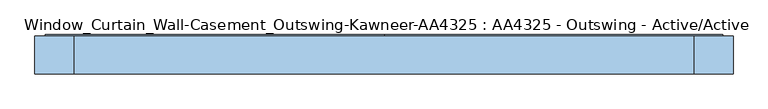
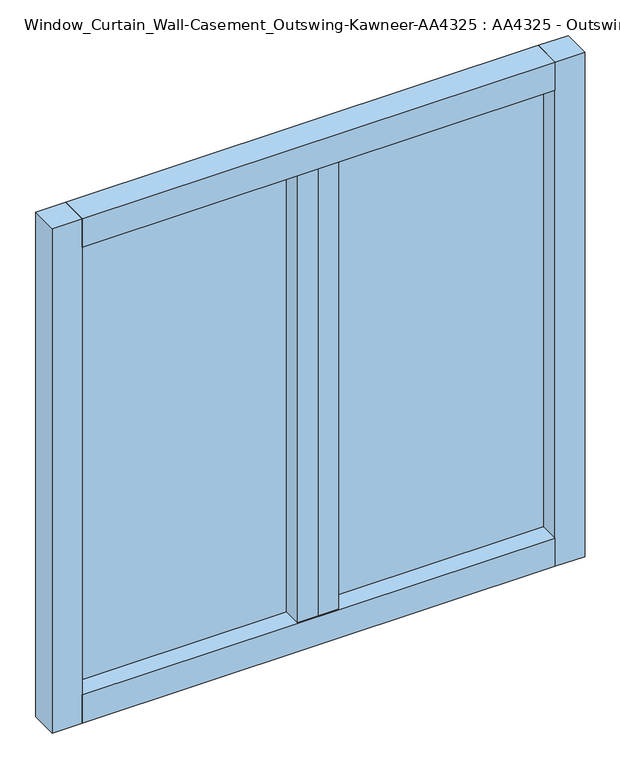
"""IFC4 building model written with IfcOpenShell, lengths in millimetres: window geometry, Window_Curtain_Wall-Casement_Outswing-Kawneer-AA4325 : AA4325 - Outswing - Active/Active."""

from ifc_helpers import new_model, si_unit, frame, origin, origin_with_axes, place, context, project, spatial, polyline, outline, extrude, source, transform, mapped, element, save


def window_curtain_wall_casement_outswing_kawneer_aa4325_aa4325_e41e68cb(model_context):
    return source(origin(), model_context, "Body", "SweptSolid", [
        extrude(outline(polyline([(25.4, -738.98125), (25.4, 0.0), (1498.6, 0.0), (1498.6, -738.98125), (25.4, -738.98125)]), holes=[polyline([(1439.06875, -679.45), (1439.06875, -59.53125), (84.93125, -59.53125), (84.93125, -679.45), (1439.06875, -679.45)])]), frame((0.0, -38.1, 0.0), z_axis=(0.0, 1.0, 0.0), x_axis=(0.0, 0.0, 1.0)), (0.0, 0.0, 1.0), 82.55),
        extrude(outline(polyline([(1498.6, 738.98125), (1498.6, 0.0), (25.4, 0.0), (25.4, 738.98125), (1498.6, 738.98125)]), holes=[polyline([(84.93125, 679.45), (84.93125, 59.53125), (1439.06875, 59.53125), (1439.06875, 679.45), (84.93125, 679.45)])]), frame((0.0, -38.1, 0.0), z_axis=(0.0, 1.0, 0.0), x_axis=(0.0, 0.0, 1.0)), (0.0, 0.0, 1.0), 82.55),
        extrude(outline(polyline([(59.53125, 15.875), (59.53125, 41.275), (679.45, 41.275), (679.45, 15.875), (59.53125, 15.875)])), frame((0.0, 0.0, 84.93125), z_axis=(0.0, 0.0, 1.0), x_axis=(1.0, 0.0, 0.0)), (0.0, 0.0, 1.0), 1354.1375),
        extrude(outline(polyline([(-679.45, 15.875), (-679.45, 41.275), (-59.53125, 41.275), (-59.53125, 15.875), (-679.45, 15.875)])), frame((0.0, 0.0, 84.93125), z_axis=(0.0, 0.0, 1.0), x_axis=(1.0, 0.0, 0.0)), (0.0, 0.0, 1.0), 1354.1375),
        extrude(outline(polyline([(676.275, 41.275), (676.275, -41.275), (-676.275, -41.275), (-676.275, 41.275), (676.275, 41.275)])), frame((0.0, 0.0, 1438.275), z_axis=(0.0, 0.0, 1.0), x_axis=(1.0, 0.0, 0.0)), (0.0, 0.0, 1.0), 85.725),
        extrude(outline(polyline([(676.275, 41.275), (676.275, -41.275), (-676.275, -41.275), (-676.275, 41.275), (676.275, 41.275)])), origin_with_axes(), (0.0, 0.0, 1.0), 85.725),
        extrude(outline(polyline([(-762.0, -41.275), (-762.0, 41.275), (-676.275, 41.275), (-676.275, -41.275), (-762.0, -41.275)])), origin_with_axes(), (0.0, 0.0, 1.0), 1524.0),
        extrude(outline(polyline([(762.0, -41.275), (676.275, -41.275), (676.275, 41.275), (762.0, 41.275), (762.0, -41.275)])), origin_with_axes(), (0.0, 0.0, 1.0), 1524.0),
    ])


if __name__ == "__main__":
    model = new_model("IFC4")
    model_context = context("Model", 3, world=origin())
    ifc_project = project(units=[si_unit("LENGTHUNIT", "METRE", prefix="MILLI")], contexts=[model_context])
    site = spatial("IfcSite", under=ifc_project)
    building = spatial("IfcBuilding", under=site)
    placement = place(None, origin())
    window_curtain_wall_casement_outswing_kawneer_aa4325_aa4325_shape = window_curtain_wall_casement_outswing_kawneer_aa4325_aa4325_e41e68cb(model_context)
    element("IfcWindow", 1, ObjectType="Window_Curtain_Wall-Casement_Outswing-Kawneer-AA4325 : AA4325 - Outswing - Active/Active", at=placement, inside=building, context=model_context, shape_type="MappedRepresentation", body=[
        mapped(window_curtain_wall_casement_outswing_kawneer_aa4325_aa4325_shape, transform((0.0, 0.0, 0.0), x_axis=(1.0, 0.0, 0.0), y_axis=(0.0, 1.0, 0.0), z_axis=(0.0, 0.0, 1.0))),
    ])
    save(model, "model.ifc")
